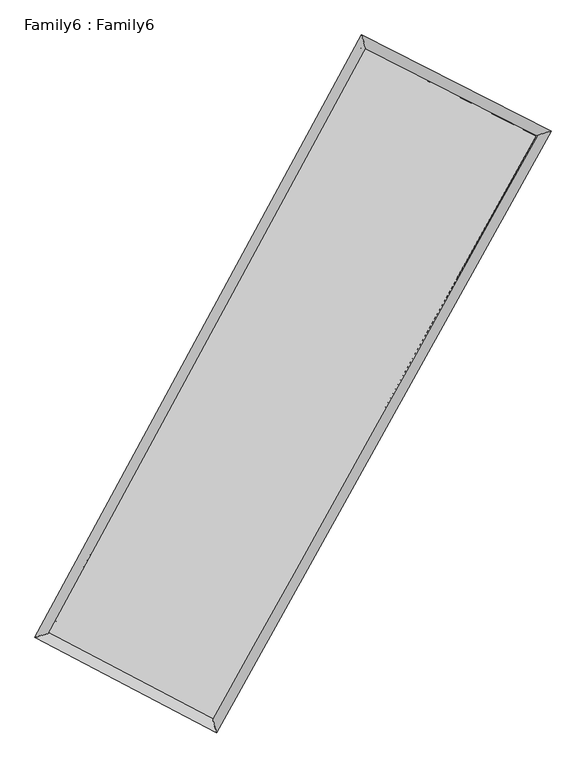
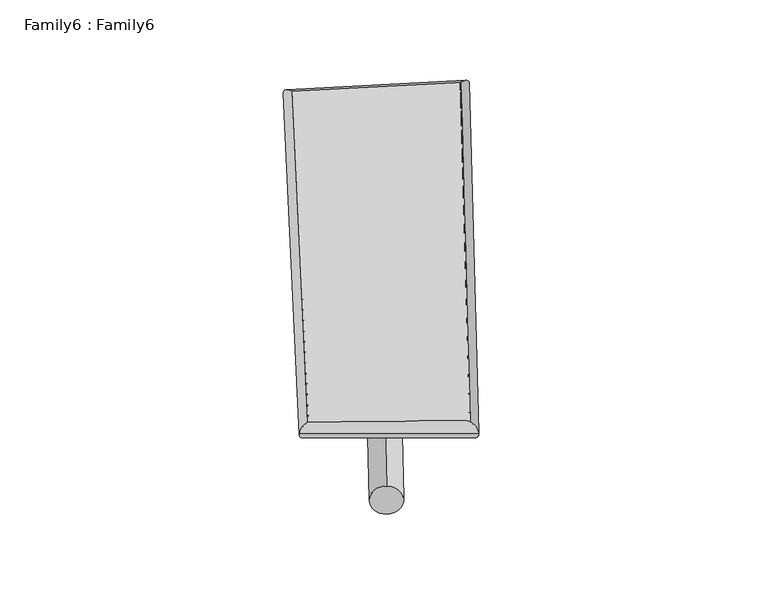
"""IFC4 building model written with IfcOpenShell, lengths in millimetres: plate geometry, Family6 : Family6."""

from ifc_helpers import new_model, si_unit, point, frame, origin, origin_2d, place, context, project, spatial, circle_curve, ellipse_curve, trimmed, segment, composite_curve, outline, extrude, source, transform, mapped, element, save
from ifc_brep_helpers import plane_surface, cylinder_surface, spline_surface, advanced_brep


def family6_family6_79d13a10(model_context):
    return source(origin(), model_context, "Body", "SolidModel", [
        extrude(outline(composite_curve([segment(trimmed(circle_curve(origin_2d(), 76.2), [point((-75.4341514, -10.7763073))], [point((75.4341514, 10.7763073))], False, "CARTESIAN"), True, "CONTINUOUS"), segment(trimmed(circle_curve(origin_2d(), 76.2), [point((75.4341514, 10.7763073))], [point((-75.4341514, -10.7763073))], False, "CARTESIAN"), True, "CONTINUOUS")], self_intersect=False)), frame((9144.0, 9144.0, 0.0), z_axis=(0.6770687798082332, 0.6825103311422738, 0.27524083144231), x_axis=(-0.6750255247731382, 0.724940625442219, -0.1371190376577738)), (0.0, 0.0, 1.0), 5672.1352746),
        extrude(outline(composite_curve([segment(trimmed(circle_curve(origin_2d(), 76.2), [point((-53.8815367, 53.8815368))], [point((53.8815367, -53.8815368))], False, "CARTESIAN"), True, "CONTINUOUS"), segment(trimmed(circle_curve(origin_2d(), 76.2), [point((53.8815367, -53.8815368))], [point((-53.8815367, 53.8815368))], False, "CARTESIAN"), True, "CONTINUOUS")], self_intersect=False)), frame((9144.0, 9144.0, 0.0), z_axis=(-0.6703235962286822, -0.6883866307845923, 0.27711030817363025), x_axis=(0.6448003259179387, -0.3554950931883308, 0.6766504107847273)), (0.0, 0.0, 1.0), 5637.5641363),
        extrude(outline(composite_curve([segment(trimmed(circle_curve(origin_2d(), 76.2), [point((-53.8815368, -53.8815367))], [point((53.8815368, 53.8815367))], False, "CARTESIAN"), True, "CONTINUOUS"), segment(trimmed(circle_curve(origin_2d(), 76.2), [point((53.8815368, 53.8815367))], [point((-53.8815368, -53.8815367))], False, "CARTESIAN"), True, "CONTINUOUS")], self_intersect=False)), frame((9144.0, 9144.0, 0.0), z_axis=(0.2093279023777563, 0.9406977208061371, 0.26696371917597234), x_axis=(-0.8497375088123041, 0.31008807553648604, -0.4263702047839859)), (0.0, 0.0, 1.0), 5560.291931),
        extrude(outline(composite_curve([segment(trimmed(circle_curve(origin_2d(), 76.2), [point((-75.4341514, 10.7763074))], [point((75.4341514, -10.7763074))], False, "CARTESIAN"), True, "CONTINUOUS"), segment(trimmed(circle_curve(origin_2d(), 76.2), [point((75.4341514, -10.7763074))], [point((-75.4341514, 10.7763074))], False, "CARTESIAN"), True, "CONTINUOUS")], self_intersect=False)), frame((9144.0, 9144.0, 0.0), z_axis=(-0.2191284368825413, -0.938581191100422, 0.2665484493707051), x_axis=(0.8946005895404062, -0.08422909386313249, 0.43885674763065147)), (0.0, 0.0, 1.0), 5564.5228174),
        advanced_brep(
        [(5157.5626985, 5200.1520417, 1557.5470561), (5157.4455783, 5199.9458679, 1569.1042271), (5572.4527699, 5326.2003951, 1566.9072142), (10371.072944, 14171.5937719, 1491.3483757), (10244.775549, 14577.5141211, 1477.4440515), (5572.5698901, 5326.4065688, 1555.3500432), (12774.3141473, 12951.1061517, 1560.3136973), (13194.5372712, 13079.4756973, 1562.0927607), (7863.7457023, 4125.2239114, 1484.6251147), (7985.5639237, 3717.2631808, 1481.8047423)],
        [
            (0, 1, ellipse_curve(frame((5365.0077342, 5263.1762184, 1562.2271352), z_axis=(-0.29095447183134576, 0.9566327390760827, 0.014117289015024997), x_axis=(-0.9563413415859782, -0.29122678037916755, 0.02445814309214006)), 217.0943378, 152.4)),
            (1, 2, ellipse_curve(frame((5365.0077342, 5263.1762184, 1562.2271352), z_axis=(-0.29095447183134576, 0.9566327390760827, 0.014117289015024997), x_axis=(-0.9563413415859782, -0.29122678037916755, 0.02445814309214006)), 217.0943378, 152.4)),
            (2, 3),
            (3, 4, ellipse_curve(frame((10307.9242465, 14374.5539465, 1484.3962136), z_axis=(-0.9546508953285585, -0.2974604091456062, -0.012608451106698294), x_axis=(0.29711483966047164, -0.9545471504593771, 0.023717284908173337)), 212.6790453, 152.4)),
            (4, 0),
            (2, 5, ellipse_curve(frame((5365.0077342, 5263.1762184, 1562.2271352), z_axis=(-0.29095447183134576, 0.9566327390760827, 0.014117289015024997), x_axis=(-0.9563413415859782, -0.29122678037916755, 0.02445814309214006)), 217.0943378, 152.4)),
            (5, 0, ellipse_curve(frame((5365.0077342, 5263.1762184, 1562.2271352), z_axis=(-0.29095447183134576, 0.9566327390760827, 0.014117289015024997), x_axis=(-0.9563413415859782, -0.29122678037916755, 0.02445814309214006)), 217.0943378, 152.4)),
            (4, 3, ellipse_curve(frame((10307.9242465, 14374.5539465, 1484.3962136), z_axis=(-0.9546508953285585, -0.2974604091456062, -0.012608451106698294), x_axis=(0.29711483966047164, -0.9545471504593771, 0.023717284908173337)), 212.6790453, 152.4)),
            (3, 6),
            (6, 7, ellipse_curve(frame((12984.4257093, 13015.2909245, 1561.203229), z_axis=(-0.29207668386662505, 0.9563060351482593, -0.013037556538395154), x_axis=(-0.9560478872968995, -0.2923107674442665, -0.022953266244237047)), 219.7406692, 152.4)),
            (7, 4),
            (7, 6, ellipse_curve(frame((12984.4257093, 13015.2909245, 1561.203229), z_axis=(-0.29207668386662505, 0.9563060351482593, -0.013037556538395154), x_axis=(-0.9560478872968995, -0.2923107674442665, -0.022953266244237047)), 219.7406692, 152.4)),
            (6, 8),
            (8, 9, ellipse_curve(frame((7924.654813, 3921.2435461, 1483.2149285), z_axis=(0.9580757184766469, 0.28617989431999763, -0.01385589233691469), x_axis=(-0.28578734075665696, 0.9579686691977758, 0.024932402585413387)), 212.9186772, 152.4)),
            (9, 7),
            (9, 8, ellipse_curve(frame((7924.654813, 3921.2435461, 1483.2149285), z_axis=(0.9580757184766469, 0.28617989431999763, -0.01385589233691469), x_axis=(-0.28578734075665696, 0.9579686691977758, 0.024932402585413387)), 212.9186772, 152.4)),
            (8, 5),
            (1, 9),
        ],
        [
            cylinder_surface(frame((5365.0077342, 5263.1762184, 1562.2271352), z_axis=(-0.47683549452313384, -0.8789604869786148, 0.007508228365932415), x_axis=(-0.8784771329990463, 0.47624602551970174, -0.03830992005295265)), 152.4),
            cylinder_surface(frame((10307.9242465, 14374.5539465, 1484.3962136), z_axis=(-0.8913180651909227, 0.45265646355181544, -0.02557797234095162), x_axis=(0.453180050379401, 0.8911781148811316, -0.020722198122694442)), 152.4),
            cylinder_surface(frame((12984.4257093, 13015.2909245, 1561.203229), z_axis=(0.4861815305340288, 0.8738257055225186, 0.007493713075769298), x_axis=(0.8738556740171851, -0.48618153053402874, -0.0019443136476476367)), 152.4),
            cylinder_surface(frame((7924.654813, 3921.2435461, 1483.2149285), z_axis=(0.8853349694816696, -0.4641498944533199, -0.027328872861193693), x_axis=(-0.46383161069012424, -0.8857524604595153, 0.017401600918306344)), 152.4),
        ],
        [
            (0, [[1, 2, 3, 4, 5]]),
            (0, [[6, 7, -5, 8, -3]]),
            (1, [[-4, 9, 10, 11]]),
            (1, [[-8, -11, 12, -9]]),
            (2, [[-10, 13, 14, 15]]),
            (2, [[-12, -15, 16, -13]]),
            (3, [[-14, 17, -6, -2, 18]]),
            (3, [[-16, -18, -1, -7, -17]]),
        ],
    ),
        extrude(outline(composite_curve([segment(trimmed(circle_curve(origin_2d(), 304.8), [point((0.0, 304.8))], [point((0.0, -304.7999999))], False, "CARTESIAN"), True, "CONTINUOUS"), segment(trimmed(circle_curve(origin_2d(), 304.8), [point((0.0, -304.7999999))], [point((0.0, 304.8))], False, "CARTESIAN"), True, "CONTINUOUS")], self_intersect=False)), frame((11689.4959152, 13694.3319143, -0.0749031), z_axis=(-0.4882105686998051, -0.8727258678436386, 1.4365962819116637e-05), x_axis=(-0.872725867953842, 0.48821056869980506, -3.745136967599564e-06)), (0.0, 0.0, 1.0), 10427.8607567),
        advanced_brep(
        [(5365.0077342, 5263.1762184, 1562.2271352), (7924.654813, 3921.2435461, 1483.2149285), (7924.6368726, 3921.249688, 1635.6149273), (5364.9897938, 5263.1823603, 1714.627134), (12984.4257093, 13015.2909245, 1561.203229), (12984.4077689, 13015.2970664, 1713.6032278), (10307.9242465, 14374.5539465, 1484.3962136), (10307.9063061, 14374.5600884, 1636.7962124)],
        [
            (0, 1),
            (1, 2),
            (2, 3),
            (3, 0),
            (1, 4),
            (4, 5),
            (5, 2),
            (4, 6),
            (6, 7),
            (7, 5),
            (6, 0),
            (3, 7),
        ],
        [
            plane_surface(frame((6644.8312736, 4592.2098823, 1522.7210318), z_axis=(-0.4643237799494004, -0.885665527732548, -1.8966501564429347e-05), x_axis=(0.8853349694816696, -0.46414989445331983, -0.027328872861193676))),
            plane_surface(frame((10454.5402611, 8468.2672353, 1522.2090788), z_axis=(0.8738497889701098, -0.48619598036150563, 0.0001224630926840841), x_axis=(0.486181530534029, 0.8738257055225184, 0.007493713075769303))),
            plane_surface(frame((11646.1749779, 13694.9224355, 1522.7997213), z_axis=(0.452804211219057, 0.8916099741481929, 1.7370859939101757e-05), x_axis=(-0.8913180651909224, 0.4526564635518156, -0.02557797234095162))),
            plane_surface(frame((7836.4659904, 9818.8650824, 1523.3116744), z_axis=(-0.8789856957282636, 0.4768481222066723, -0.00012269095825292705), x_axis=(-0.47683549452313406, -0.8789604869786146, 0.007508228365932406))),
            spline_surface(1, 1, [[(7924.6368726, 3921.249688, 1635.6149273), (5364.9897938, 5263.1823603, 1714.627134)], [(12984.4077689, 13015.2970664, 1713.6032278), (10307.9063061, 14374.5600884, 1636.7962124)]], [2, 2], [2, 2], [0.0, 1.0], [0.0, 1.0]),
            spline_surface(1, 1, [[(10307.9242465, 14374.5539465, 1484.3962136), (5365.0077342, 5263.1762184, 1562.2271352)], [(12984.4257093, 13015.2909245, 1561.203229), (7924.654813, 3921.2435461, 1483.2149285)]], [2, 2], [2, 2], [0.0, 1.0], [0.0, 1.0]),
        ],
        [
            (0, [[1, 2, 3, 4]]),
            (1, [[5, 6, 7, -2]]),
            (2, [[8, 9, 10, -6]]),
            (3, [[11, -4, 12, -9]]),
            (4, [[-3, -7, -10, -12]]),
            (5, [[-11, -8, -5, -1]]),
        ],
    ),
    ])


if __name__ == "__main__":
    model = new_model("IFC4")
    model_context = context("Model", 3, world=origin())
    ifc_project = project(units=[si_unit("LENGTHUNIT", "METRE", prefix="MILLI")], contexts=[model_context])
    site = spatial("IfcSite", under=ifc_project)
    building = spatial("IfcBuilding", under=site)
    placement = place(None, origin())
    family6_family6_shape = family6_family6_79d13a10(model_context)
    element("IfcPlate", 1, ObjectType="Family6 : Family6", at=placement, inside=building, context=model_context, shape_type="MappedRepresentation", body=[
        mapped(family6_family6_shape, transform((0.0, 0.0, 0.0), x_axis=(1.0, 0.0, 0.0), y_axis=(0.0, 1.0, 0.0), z_axis=(0.0, 0.0, 1.0))),
    ])
    save(model, "model.ifc")
